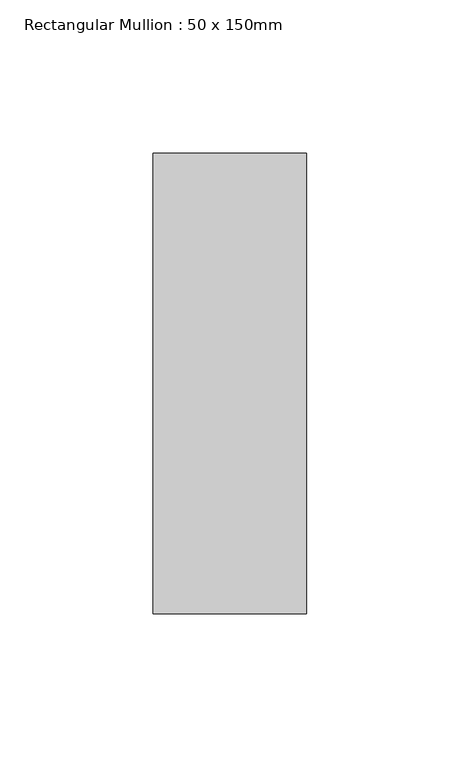
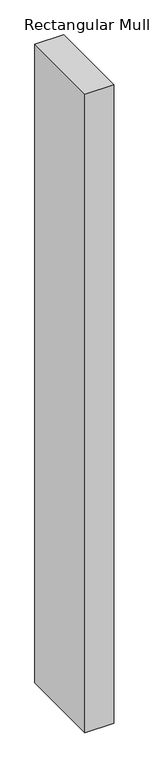
"""IFC4 building model written with IfcOpenShell, lengths in millimetres: member geometry, Rectangular Mullion : 50 x 150mm."""

import ifcopenshell
import ifcopenshell.guid

model = None  # the IFC model being written
_history = None  # IfcOwnerHistory: only IFC2X3 demands one
_inside = {}  # id of a spatial element -> (the spatial element, [elements in it])
_under = {}  # id of a project, library or spatial element -> (it, [spatial elements below it])
_declared = {}  # id of a project -> (the project, [libraries it declares])
_typed = {}  # id of a type object -> (the type object, [elements of that type])
_made_of = {}  # id of a material, layer set ... -> (it, [elements and type objects made of it])


def new_model(schema):
    """Start an empty IFC model of exactly this schema.

    Asked for "IFC4X3", IfcOpenShell would pick the latest addendum, in which some entities
    have other attributes; the version numbers below select the first issue.
    IFC2X3 requires an IfcOwnerHistory on every rooted entity: one is made here for all.
    """
    global model, _history
    if schema == "IFC4X3":
        model = ifcopenshell.file(schema_version=(4, 3, 0, 0))
    else:
        model = ifcopenshell.file(schema=schema)
    _inside.clear()
    _under.clear()
    _declared.clear()
    _typed.clear()
    _made_of.clear()
    _history = None
    if model.schema == "IFC2X3":
        org = make("IfcOrganization", Name="unknown")
        user = make(
            "IfcPersonAndOrganization",
            ThePerson=make("IfcPerson", FamilyName="unknown"),
            TheOrganization=org,
        )
        app = make(
            "IfcApplication",
            ApplicationDeveloper=org,
            Version="unknown",
            ApplicationFullName="unknown",
            ApplicationIdentifier="unknown",
        )
        _history = make(
            "IfcOwnerHistory",
            OwningUser=user,
            OwningApplication=app,
            ChangeAction="ADDED",
            CreationDate=0,
        )
    return model


def make(cls, **values):
    """One entity of the class cls with the attributes given. An attribute that is None is left unset."""
    return model.create_entity(
        cls, **{name: value for name, value in values.items() if value is not None}
    )


def rooted(cls, **values):
    """An entity with a GlobalId (a new one), such as an element, a storey or a relation."""
    return make(cls, GlobalId=ifcopenshell.guid.new(), OwnerHistory=_history, **values)


def si_unit(unit_type, name, prefix=None):
    """IfcSIUnit, for example si_unit("LENGTHUNIT", "METRE", prefix="MILLI")."""
    return make("IfcSIUnit", UnitType=unit_type, Prefix=prefix, Name=name)


def assignment(units):
    """IfcUnitAssignment: the units of a project."""
    return None if units is None else make("IfcUnitAssignment", Units=units)


def point(xyz):
    """IfcCartesianPoint."""
    return None if xyz is None else make("IfcCartesianPoint", Coordinates=xyz)


def direction(xyz):
    """IfcDirection."""
    return None if xyz is None else make("IfcDirection", DirectionRatios=xyz)


def frame(location, z_axis=None, x_axis=None):
    """IfcAxis2Placement3D, a coordinate frame: its origin and axes. An axis left out is left unset."""
    return make(
        "IfcAxis2Placement3D",
        Location=point(location),
        Axis=direction(z_axis),
        RefDirection=direction(x_axis),
    )


def origin():
    """The frame at (0, 0, 0) with its axes left unset."""
    return frame((0.0, 0.0, 0.0))


def place(relative_to, where):
    """IfcLocalPlacement: puts the frame where relative to a parent placement (None: the world)."""
    return make(
        "IfcLocalPlacement", PlacementRelTo=relative_to, RelativePlacement=where
    )


def context(
    kind, dimensions, precision=None, world=None, true_north=None, identifier=None
):
    """IfcGeometricRepresentationContext, for example the 3D "Model" context."""
    return make(
        "IfcGeometricRepresentationContext",
        ContextIdentifier=identifier,
        ContextType=kind,
        CoordinateSpaceDimension=dimensions,
        Precision=precision,
        WorldCoordinateSystem=world,
        TrueNorth=true_north,
    )


def project(units=None, contexts=None):
    """IfcProject with its units and contexts."""
    return rooted(
        "IfcProject",
        Name="project",
        RepresentationContexts=contexts,
        UnitsInContext=assignment(units),
    )


def spatial(cls, under=None, at=None, **own):
    """A site, building, storey or space (cls), placed at a placement, below another one or the project."""
    s = rooted(cls, ObjectPlacement=at, **own)
    if under is not None:
        _under.setdefault(under.id(), (under, []))[1].append(s)
    return s


def polyline(points):
    """IfcPolyline through the points."""
    return make("IfcPolyline", Points=[point(p) for p in points])


def outline(outer, holes=None, kind="AREA"):
    """IfcArbitraryClosedProfileDef: a profile drawn as a closed curve; with holes, ...WithVoids."""
    if holes is None:
        return make("IfcArbitraryClosedProfileDef", ProfileType=kind, OuterCurve=outer)
    return make(
        "IfcArbitraryProfileDefWithVoids",
        ProfileType=kind,
        OuterCurve=outer,
        InnerCurves=holes,
    )


def extrude(swept, where, along, depth):
    """IfcExtrudedAreaSolid: the profile swept, set in the frame where, extruded along a direction by depth."""
    return make(
        "IfcExtrudedAreaSolid",
        SweptArea=swept,
        Position=where,
        ExtrudedDirection=direction(along),
        Depth=depth,
    )


def shape(context_of_items, identifier, shape_type, items):
    """IfcShapeRepresentation: the items that make up one representation, for example the "Body"."""
    return make(
        "IfcShapeRepresentation",
        ContextOfItems=context_of_items,
        RepresentationIdentifier=identifier,
        RepresentationType=shape_type,
        Items=items,
    )


def source(mapping_origin, context_of_items, identifier, shape_type, items):
    """IfcRepresentationMap: a shape defined once, which mapped items show again and again."""
    return make(
        "IfcRepresentationMap",
        MappingOrigin=mapping_origin,
        MappedRepresentation=shape(context_of_items, identifier, shape_type, items),
    )


def transform(
    local_origin,
    x_axis=None,
    y_axis=None,
    z_axis=None,
    scale=None,
    scale2=None,
    scale3=None,
    uniform=True,
):
    """IfcCartesianTransformationOperator3D, or its non-uniform kind. x_axis, y_axis, z_axis: its Axis1, 2, 3."""
    if uniform:
        return make(
            "IfcCartesianTransformationOperator3D",
            Axis1=direction(x_axis),
            Axis2=direction(y_axis),
            LocalOrigin=point(local_origin),
            Scale=scale,
            Axis3=direction(z_axis),
        )
    return make(
        "IfcCartesianTransformationOperator3DnonUniform",
        Axis1=direction(x_axis),
        Axis2=direction(y_axis),
        LocalOrigin=point(local_origin),
        Scale=scale,
        Axis3=direction(z_axis),
        Scale2=scale2,
        Scale3=scale3,
    )


def mapped(mapping_source, mapping_target):
    """IfcMappedItem: shows the shape of a source again, moved by a transform."""
    return make(
        "IfcMappedItem", MappingSource=mapping_source, MappingTarget=mapping_target
    )


def made_of(thing, what):
    """Note that an element or type object is made of a material, layer set ...; save() writes the relation."""
    if what is not None:
        _made_of.setdefault(what.id(), (what, []))[1].append(thing)
    return thing


def element(
    cls,
    number,
    at=None,
    inside=None,
    cuts=None,
    type_object=None,
    material=None,
    context=None,
    identifier="Body",
    shape_type=None,
    held_by="IfcProductDefinitionShape",
    body=None,
    shapes=None,
    **own,
):
    """One element of the class cls, such as IfcWall. Its Tag is "e" and its number.

    at: its placement. inside: the storey or other place that contains it. cuts: it is an
    opening in that element (IfcRelVoidsElement). A single representation is given by context,
    identifier, shape_type and body (its items); several are given by shapes. held_by: the class
    of the entity that holds the representations. save() writes the other relations.
    """
    e = rooted(cls, Tag="e%d" % number, ObjectPlacement=at, **own)
    if body is not None:
        shapes = [shape(context, identifier, shape_type, body)]
    if shapes is not None:
        e.Representation = make(held_by, Representations=shapes)
    if inside is not None:
        _inside.setdefault(inside.id(), (inside, []))[1].append(e)
    if cuts is not None:
        rooted(
            "IfcRelVoidsElement", RelatingBuildingElement=cuts, RelatedOpeningElement=e
        )
    if type_object is not None:
        _typed.setdefault(type_object.id(), (type_object, []))[1].append(e)
    return made_of(e, material)


def aggregate(whole, parts):
    """IfcRelAggregates: a whole, such as a stair, and the parts it consists of."""
    return rooted("IfcRelAggregates", RelatingObject=whole, RelatedObjects=parts)


def save(model, path):
    """Write the relations noted so far, then the file.

    IfcRelAggregates (storeys below a building ...), IfcRelContainedInSpatialStructure (elements
    in a storey), IfcRelDefinesByType, IfcRelAssociatesMaterial and IfcRelDeclares: one each for
    every whole, place, type object, material and project.
    """
    for whole, parts in _under.values():
        aggregate(whole, parts)
    for where, things in _inside.values():
        rooted(
            "IfcRelContainedInSpatialStructure",
            RelatedElements=things,
            RelatingStructure=where,
        )
    for kind, things in _typed.values():
        rooted("IfcRelDefinesByType", RelatedObjects=things, RelatingType=kind)
    for what, things in _made_of.values():
        rooted("IfcRelAssociatesMaterial", RelatedObjects=things, RelatingMaterial=what)
    for by, libraries in _declared.values():
        rooted("IfcRelDeclares", RelatingContext=by, RelatedDefinitions=libraries)
    model.write(path)


def rectangular_mullion_50_x_150mm_3dc7bfd3(model_context):
    return source(origin(), model_context, "Body", "SweptSolid", [
        extrude(outline(polyline([(0.0, 75.0), (0.0, -75.0), (-50.0, -75.0), (-50.0, 75.0), (0.0, 75.0)])), frame((0.0, 0.0, -1170.0), z_axis=(0.0, 0.0, 1.0), x_axis=(1.0, 0.0, 0.0)), (0.0, 0.0, 1.0), 1170.0),
    ])


if __name__ == "__main__":
    model = new_model("IFC4")
    model_context = context("Model", 3, world=origin())
    ifc_project = project(units=[si_unit("LENGTHUNIT", "METRE", prefix="MILLI")], contexts=[model_context])
    site = spatial("IfcSite", under=ifc_project)
    building = spatial("IfcBuilding", under=site)
    placement = place(None, origin())
    rectangular_mullion_50_x_150mm_shape = rectangular_mullion_50_x_150mm_3dc7bfd3(model_context)
    element("IfcMember", 1, ObjectType="Rectangular Mullion : 50 x 150mm", at=placement, inside=building, context=model_context, shape_type="MappedRepresentation", body=[
        mapped(rectangular_mullion_50_x_150mm_shape, transform((0.0, 0.0, 0.0), x_axis=(1.0, 0.0, 0.0), y_axis=(0.0, 1.0, 0.0), z_axis=(0.0, 0.0, 1.0))),
    ])
    save(model, "model.ifc")
